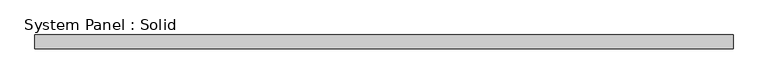
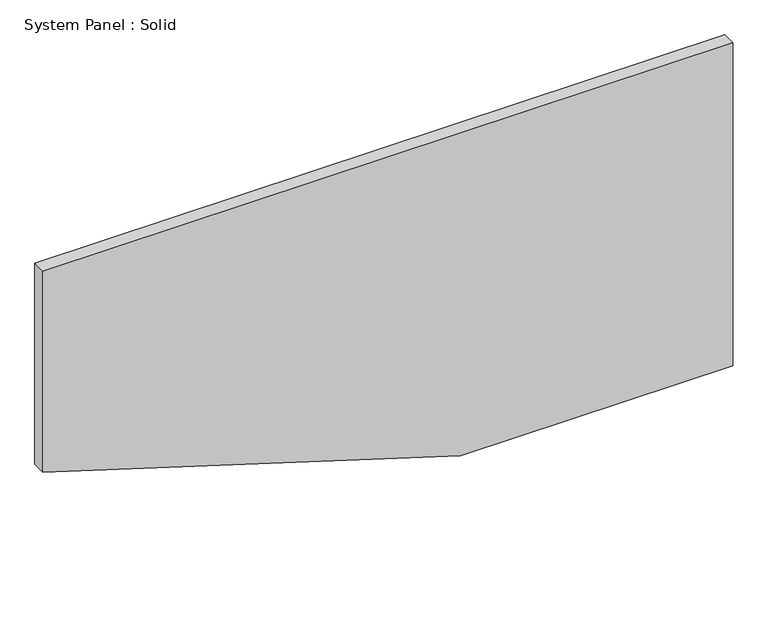
"""IFC4 building model written with IfcOpenShell, lengths in millimetres: plate geometry, System Panel : Solid."""

from ifc_helpers import new_model, si_unit, frame, origin, place, context, project, spatial, polyline, outline, extrude, source, transform, mapped, element, save


def system_panel_solid_8706c42d(model_context):
    return source(origin(), model_context, "Body", "SweptSolid", [
        extrude(outline(polyline([(0.0, 316.9842746), (0.0, 1500.0), (1482.7715864, 1500.0), (1482.7715864, -1500.0), (559.3069235, -1500.0), (0.0, 316.9842746)])), frame((0.0, -10.5, 0.0), z_axis=(0.0, 1.0, 0.0), x_axis=(0.0, 0.0, 1.0)), (0.0, 0.0, 1.0), 60.0),
    ])


if __name__ == "__main__":
    model = new_model("IFC4")
    model_context = context("Model", 3, world=origin())
    ifc_project = project(units=[si_unit("LENGTHUNIT", "METRE", prefix="MILLI")], contexts=[model_context])
    site = spatial("IfcSite", under=ifc_project)
    building = spatial("IfcBuilding", under=site)
    placement = place(None, origin())
    system_panel_solid_shape = system_panel_solid_8706c42d(model_context)
    element("IfcPlate", 1, ObjectType="System Panel : Solid", at=placement, inside=building, context=model_context, shape_type="MappedRepresentation", body=[
        mapped(system_panel_solid_shape, transform((0.0, 0.0, 0.0), x_axis=(1.0, 0.0, 0.0), y_axis=(0.0, 1.0, 0.0), z_axis=(0.0, 0.0, 1.0))),
    ])
    save(model, "model.ifc")
